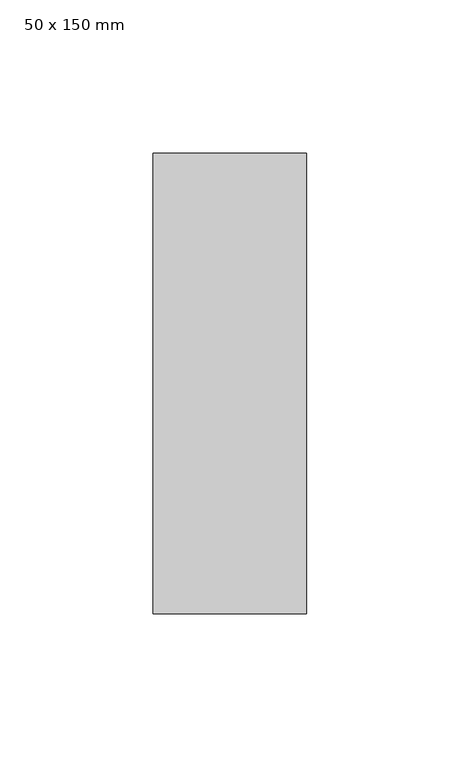
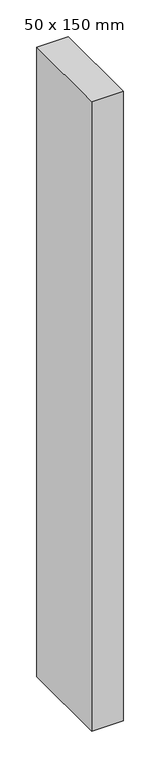
"""IFC4 building model written with IfcOpenShell, lengths in millimetres: member geometry, 50 x 150 mm."""

from ifc_helpers import new_model, si_unit, frame, origin, place, context, project, spatial, polyline, outline, extrude, source, transform, mapped, element, save


def member_50_x_150_mm_a9c68ae1(model_context):
    return source(origin(), model_context, "Body", "SweptSolid", [
        extrude(outline(polyline([(25.0, 75.0), (25.0, -75.0), (-25.0, -75.0), (-25.0, 75.0), (25.0, 75.0)])), frame((0.0, 0.0, -1050.0), z_axis=(0.0, 0.0, 1.0), x_axis=(1.0, 0.0, 0.0)), (0.0, 0.0, 1.0), 1050.0),
    ])


if __name__ == "__main__":
    model = new_model("IFC4")
    model_context = context("Model", 3, world=origin())
    ifc_project = project(units=[si_unit("LENGTHUNIT", "METRE", prefix="MILLI")], contexts=[model_context])
    site = spatial("IfcSite", under=ifc_project)
    building = spatial("IfcBuilding", under=site)
    placement = place(None, origin())
    member_50_x_150_mm_shape = member_50_x_150_mm_a9c68ae1(model_context)
    element("IfcMember", 1, ObjectType="50 x 150 mm", at=placement, inside=building, context=model_context, shape_type="MappedRepresentation", body=[
        mapped(member_50_x_150_mm_shape, transform((0.0, 0.0, 0.0), x_axis=(1.0, 0.0, 0.0), y_axis=(0.0, 1.0, 0.0), z_axis=(0.0, 0.0, 1.0))),
    ])
    save(model, "model.ifc")
